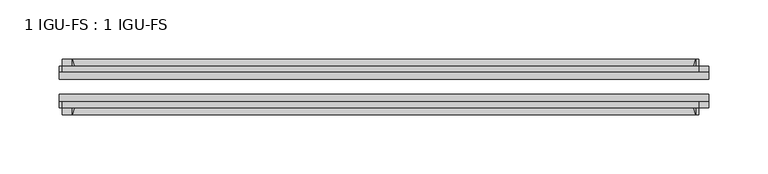
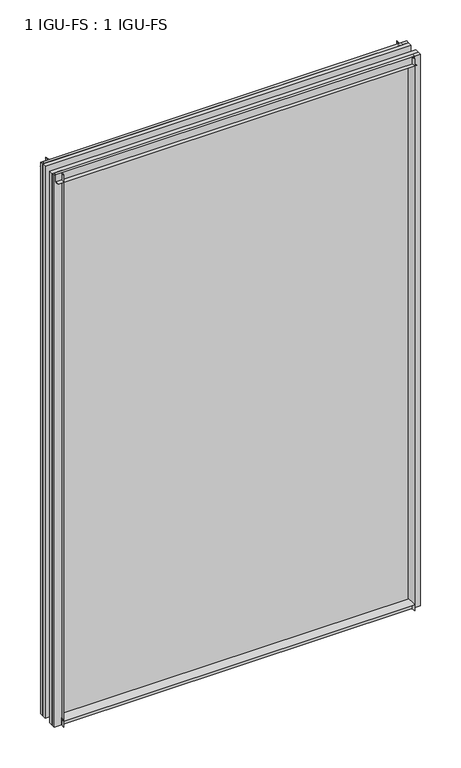
"""IFC4 building model written with IfcOpenShell, lengths in millimetres: plate geometry, 1 IGU-FS : 1 IGU-FS."""

from ifc_helpers import new_model, si_unit, point, frame, frame_2d, origin, place, context, project, spatial, polyline, circle_curve, trimmed, segment, composite_curve, outline, extrude, source, transform, mapped, element, save


def plate_1_igu_fs_1_igu_fs_9ab00a5f(model_context):
    return source(origin(), model_context, "Body", "SweptSolid", [
        extrude(outline(composite_curve([segment(polyline([(-44.859575, -9.525), (-44.859575, 0.0), (-50.8285753, 0.0)]), True, "CONTINUOUS"), segment(trimmed(circle_curve(frame_2d((-56.4601953, 32.279754)), 32.7673262), [point((-50.8285753, 0.0))], [point((-40.084375, 3.8978906))], True, "CARTESIAN"), True, "CONTINUOUS"), segment(polyline([(-40.084375, 3.8978906), (-40.084375, -9.525), (-44.859575, -9.525)]), True, "CONTINUOUS")], self_intersect=False)), frame((-263.525, 0.0, 0.0), z_axis=(1.0, 0.0, 0.0), x_axis=(0.0, 1.0, 0.0)), (0.0, 0.0, 1.0), 527.05),
        extrude(outline(composite_curve([segment(polyline([(-9.909175, -9.525), (-14.684375, -9.525), (-14.684375, 3.8978906)]), True, "CONTINUOUS"), segment(trimmed(circle_curve(frame_2d((1.6914453, 32.279754)), 32.7673262), [point((-14.684375, 3.8978906))], [point((-3.9401747, 0.0))], True, "CARTESIAN"), True, "CONTINUOUS"), segment(polyline([(-3.9401747, 0.0), (-9.909175, 0.0), (-9.909175, -9.525)]), True, "CONTINUOUS")], self_intersect=False)), frame((-263.525, 0.0, 0.0), z_axis=(1.0, 0.0, 0.0), x_axis=(0.0, 1.0, 0.0)), (0.0, 0.0, 1.0), 527.05),
        extrude(outline(composite_curve([segment(polyline([(-9.909175, 865.1875), (-9.909175, 854.075), (-3.9401753, 854.075)]), True, "CONTINUOUS"), segment(trimmed(circle_curve(frame_2d((1.6914453, 821.7952461)), 32.7673262), [point((-3.9401753, 854.075))], [point((-14.684375, 850.1771096))], True, "CARTESIAN"), True, "CONTINUOUS"), segment(polyline([(-14.684375, 850.1771096), (-14.684375, 865.1875), (-9.909175, 865.1875)]), True, "CONTINUOUS")], self_intersect=False)), frame((-272.0377386, 0.0, 0.0), z_axis=(1.0, 0.0, 0.0), x_axis=(0.0, 1.0, 0.0)), (0.0, 0.0, 1.0), 538.1087001),
        extrude(outline(composite_curve([segment(polyline([(-40.084375, 865.1875), (-40.084375, 850.1771096)]), True, "CONTINUOUS"), segment(trimmed(circle_curve(frame_2d((-56.4601953, 821.7952461)), 32.7673262), [point((-40.084375, 850.1771096))], [point((-50.8285747, 854.075))], True, "CARTESIAN"), True, "CONTINUOUS"), segment(polyline([(-50.8285747, 854.075), (-44.859575, 854.075), (-44.859575, 865.1875), (-40.084375, 865.1875)]), True, "CONTINUOUS")], self_intersect=False)), frame((-272.0377386, 0.0, 0.0), z_axis=(1.0, 0.0, 0.0), x_axis=(0.0, 1.0, 0.0)), (0.0, 0.0, 1.0), 538.1087001),
        extrude(outline(composite_curve([segment(polyline([(274.6375, -9.909175), (274.6375, -14.684375), (259.6271095, -14.684375)]), True, "CONTINUOUS"), segment(trimmed(circle_curve(frame_2d((231.245246, 1.6914453)), 32.7673262), [point((259.6271095, -14.684375))], [point((263.525, -3.940175))], True, "CARTESIAN"), True, "CONTINUOUS"), segment(polyline([(263.525, -3.940175), (263.525, -9.909175), (274.6375, -9.909175)]), True, "CONTINUOUS")], self_intersect=False)), frame((0.0, 0.0, -9.525), z_axis=(0.0, 0.0, 1.0), x_axis=(1.0, 0.0, 0.0)), (0.0, 0.0, 1.0), 874.7125),
        extrude(outline(composite_curve([segment(polyline([(274.6375, -40.084375), (274.6375, -44.859575), (263.525, -44.859575), (263.525, -50.828575)]), True, "CONTINUOUS"), segment(trimmed(circle_curve(frame_2d((231.245246, -56.4601953)), 32.7673262), [point((263.525, -50.828575))], [point((259.6271095, -40.084375))], True, "CARTESIAN"), True, "CONTINUOUS"), segment(polyline([(259.6271095, -40.084375), (274.6375, -40.084375)]), True, "CONTINUOUS")], self_intersect=False)), frame((0.0, 0.0, -9.525), z_axis=(0.0, 0.0, 1.0), x_axis=(1.0, 0.0, 0.0)), (0.0, 0.0, 1.0), 874.7125),
        extrude(outline(composite_curve([segment(polyline([(-274.6375, -9.909175), (-263.525, -9.909175), (-263.525, -3.940175)]), True, "CONTINUOUS"), segment(trimmed(circle_curve(frame_2d((-231.245246, 1.6914453)), 32.7673262), [point((-263.525, -3.940175))], [point((-259.6271095, -14.684375))], True, "CARTESIAN"), True, "CONTINUOUS"), segment(polyline([(-259.6271095, -14.684375), (-274.6375, -14.684375), (-274.6375, -9.909175)]), True, "CONTINUOUS")], self_intersect=False)), frame((0.0, 0.0, -9.525), z_axis=(0.0, 0.0, 1.0), x_axis=(1.0, 0.0, 0.0)), (0.0, 0.0, 1.0), 874.7125),
        extrude(outline(composite_curve([segment(polyline([(-274.6375, -44.859575), (-274.6375, -40.084375), (-259.6271095, -40.084375)]), True, "CONTINUOUS"), segment(trimmed(circle_curve(frame_2d((-231.245246, -56.4601953)), 32.7673262), [point((-259.6271095, -40.084375))], [point((-263.525, -50.828575))], True, "CARTESIAN"), True, "CONTINUOUS"), segment(polyline([(-263.525, -50.828575), (-263.525, -44.859575), (-274.6375, -44.859575)]), True, "CONTINUOUS")], self_intersect=False)), frame((0.0, 0.0, -9.525), z_axis=(0.0, 0.0, 1.0), x_axis=(1.0, 0.0, 0.0)), (0.0, 0.0, 1.0), 874.7125),
        extrude(outline(polyline([(-274.6375, -40.084375), (-274.6375, -33.785175), (274.6375, -33.785175), (274.6375, -40.084375), (-274.6375, -40.084375)])), frame((0.0, 0.0, -9.525), z_axis=(0.0, 0.0, 1.0), x_axis=(1.0, 0.0, 0.0)), (0.0, 0.0, 1.0), 874.7125),
        extrude(outline(polyline([(274.6375, -20.983575), (-274.6375, -20.983575), (-274.6375, -14.684375), (274.6375, -14.684375), (274.6375, -20.983575)])), frame((0.0, 0.0, -9.525), z_axis=(0.0, 0.0, 1.0), x_axis=(1.0, 0.0, 0.0)), (0.0, 0.0, 1.0), 874.7125),
    ])


if __name__ == "__main__":
    model = new_model("IFC4")
    model_context = context("Model", 3, world=origin())
    ifc_project = project(units=[si_unit("LENGTHUNIT", "METRE", prefix="MILLI")], contexts=[model_context])
    site = spatial("IfcSite", under=ifc_project)
    building = spatial("IfcBuilding", under=site)
    placement = place(None, origin())
    plate_1_igu_fs_1_igu_fs_shape = plate_1_igu_fs_1_igu_fs_9ab00a5f(model_context)
    element("IfcPlate", 1, ObjectType="1 IGU-FS : 1 IGU-FS", at=placement, inside=building, context=model_context, shape_type="MappedRepresentation", body=[
        mapped(plate_1_igu_fs_1_igu_fs_shape, transform((0.0, 0.0, 0.0), x_axis=(1.0, 0.0, 0.0), y_axis=(0.0, 1.0, 0.0), z_axis=(0.0, 0.0, 1.0))),
    ])
    save(model, "model.ifc")
